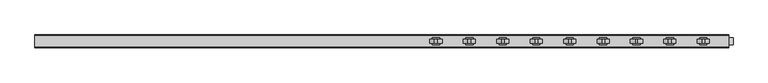
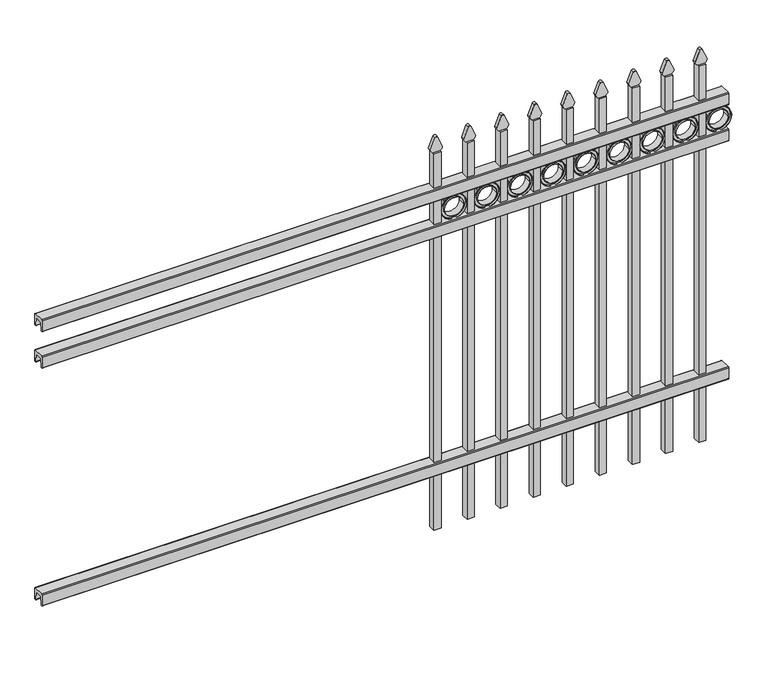
"""IFC4 building model written with IfcOpenShell, lengths in millimetres: railing geometry."""

from ifc_helpers import new_model, si_unit, point, frame, frame_2d, origin, place, context, project, spatial, polyline, circle_curve, trimmed, segment, composite_curve, outline, extrude, source, transform, mapped, element, save


def railing_5b8ea0cb(model_context):
    return source(origin(), model_context, "Body", "SweptSolid", [
        extrude(outline(composite_curve([segment(polyline([(11873.9139761, 304.8), (11911.969541, 304.8)]), True, "CONTINUOUS"), segment(trimmed(circle_curve(frame_2d((11911.969541, 301.625)), 3.175), [point((11911.969541, 304.8))], [point((11915.144541, 301.625))], False, "CARTESIAN"), True, "CONTINUOUS"), segment(polyline([(11915.144541, 301.625), (11915.144541, 262.1439893)]), True, "CONTINUOUS"), segment(trimmed(circle_curve(frame_2d((11913.3505518, 262.1439893)), 1.7939893), [point((11915.144541, 262.1439893))], [point((11913.3505518, 260.35))], False, "CARTESIAN"), True, "CONTINUOUS"), segment(polyline([(11913.3505518, 260.35), (11910.7590713, 260.35)]), True, "CONTINUOUS"), segment(trimmed(circle_curve(frame_2d((11910.7590713, 262.1359375)), 1.7859375), [point((11910.7590713, 260.35))], [point((11908.9755813, 262.0424688))], False, "CARTESIAN"), True, "CONTINUOUS"), segment(polyline([(11908.9755813, 262.0424688), (11907.4025867, 292.0569942), (11878.4364954, 292.0569942), (11876.8635007, 262.0424688)]), True, "CONTINUOUS"), segment(trimmed(circle_curve(frame_2d((11875.0800108, 262.1359375)), 1.7859375), [point((11876.8635007, 262.0424688))], [point((11875.0800108, 260.35))], False, "CARTESIAN"), True, "CONTINUOUS"), segment(polyline([(11875.0800108, 260.35), (11872.4804785, 260.35)]), True, "CONTINUOUS"), segment(trimmed(circle_curve(frame_2d((11872.4804785, 262.1359375)), 1.7859375), [point((11872.4804785, 260.35))], [point((11870.694541, 262.1359375))], False, "CARTESIAN"), True, "CONTINUOUS"), segment(polyline([(11870.694541, 262.1359375), (11870.694541, 301.5805649)]), True, "CONTINUOUS"), segment(trimmed(circle_curve(frame_2d((11873.9139761, 301.5805649)), 3.2194351), [point((11870.694541, 301.5805649))], [point((11873.9139761, 304.8))], False, "CARTESIAN"), True, "CONTINUOUS")], self_intersect=False)), frame((-23871.4649936, 0.0, 0.0), z_axis=(1.0, 0.0, 0.0), x_axis=(0.0, 1.0, 0.0)), (0.0, 0.0, 1.0), 2438.4),
        extrude(outline(composite_curve([segment(polyline([(11873.9139761, 1198.5625), (11911.969541, 1198.5625)]), True, "CONTINUOUS"), segment(trimmed(circle_curve(frame_2d((11911.969541, 1195.3875)), 3.175), [point((11911.969541, 1198.5625))], [point((11915.144541, 1195.3875))], False, "CARTESIAN"), True, "CONTINUOUS"), segment(polyline([(11915.144541, 1195.3875), (11915.144541, 1155.9064893)]), True, "CONTINUOUS"), segment(trimmed(circle_curve(frame_2d((11913.3505518, 1155.9064893)), 1.7939893), [point((11915.144541, 1155.9064893))], [point((11913.3505518, 1154.1125))], False, "CARTESIAN"), True, "CONTINUOUS"), segment(polyline([(11913.3505518, 1154.1125), (11910.7590713, 1154.1125)]), True, "CONTINUOUS"), segment(trimmed(circle_curve(frame_2d((11910.7590713, 1155.8984375)), 1.7859375), [point((11910.7590713, 1154.1125))], [point((11908.9755813, 1155.8049688))], False, "CARTESIAN"), True, "CONTINUOUS"), segment(polyline([(11908.9755813, 1155.8049688), (11907.4025867, 1185.8194942), (11878.4364954, 1185.8194942), (11876.8635007, 1155.8049688)]), True, "CONTINUOUS"), segment(trimmed(circle_curve(frame_2d((11875.0800108, 1155.8984375)), 1.7859375), [point((11876.8635007, 1155.8049688))], [point((11875.0800108, 1154.1125))], False, "CARTESIAN"), True, "CONTINUOUS"), segment(polyline([(11875.0800108, 1154.1125), (11872.4804785, 1154.1125)]), True, "CONTINUOUS"), segment(trimmed(circle_curve(frame_2d((11872.4804785, 1155.8984375)), 1.7859375), [point((11872.4804785, 1154.1125))], [point((11870.694541, 1155.8984375))], False, "CARTESIAN"), True, "CONTINUOUS"), segment(polyline([(11870.694541, 1155.8984375), (11870.694541, 1195.3430649)]), True, "CONTINUOUS"), segment(trimmed(circle_curve(frame_2d((11873.9139761, 1195.3430649)), 3.2194351), [point((11870.694541, 1195.3430649))], [point((11873.9139761, 1198.5625))], False, "CARTESIAN"), True, "CONTINUOUS")], self_intersect=False)), frame((-23871.4649936, 0.0, 0.0), z_axis=(1.0, 0.0, 0.0), x_axis=(0.0, 1.0, 0.0)), (0.0, 0.0, 1.0), 2438.4),
        extrude(outline(composite_curve([segment(polyline([(11873.9139761, 1335.0875), (11911.969541, 1335.0875)]), True, "CONTINUOUS"), segment(trimmed(circle_curve(frame_2d((11911.969541, 1331.9125)), 3.175), [point((11911.969541, 1335.0875))], [point((11915.144541, 1331.9125))], False, "CARTESIAN"), True, "CONTINUOUS"), segment(polyline([(11915.144541, 1331.9125), (11915.144541, 1292.4314893)]), True, "CONTINUOUS"), segment(trimmed(circle_curve(frame_2d((11913.3505518, 1292.4314893)), 1.7939893), [point((11915.144541, 1292.4314893))], [point((11913.3505518, 1290.6375))], False, "CARTESIAN"), True, "CONTINUOUS"), segment(polyline([(11913.3505518, 1290.6375), (11910.7590713, 1290.6375)]), True, "CONTINUOUS"), segment(trimmed(circle_curve(frame_2d((11910.7590713, 1292.4234375)), 1.7859375), [point((11910.7590713, 1290.6375))], [point((11908.9755813, 1292.3299688))], False, "CARTESIAN"), True, "CONTINUOUS"), segment(polyline([(11908.9755813, 1292.3299688), (11907.4025867, 1322.3444942), (11878.4364954, 1322.3444942), (11876.8635007, 1292.3299688)]), True, "CONTINUOUS"), segment(trimmed(circle_curve(frame_2d((11875.0800108, 1292.4234375)), 1.7859375), [point((11876.8635007, 1292.3299688))], [point((11875.0800108, 1290.6375))], False, "CARTESIAN"), True, "CONTINUOUS"), segment(polyline([(11875.0800108, 1290.6375), (11872.4804785, 1290.6375)]), True, "CONTINUOUS"), segment(trimmed(circle_curve(frame_2d((11872.4804785, 1292.4234375)), 1.7859375), [point((11872.4804785, 1290.6375))], [point((11870.694541, 1292.4234375))], False, "CARTESIAN"), True, "CONTINUOUS"), segment(polyline([(11870.694541, 1292.4234375), (11870.694541, 1331.8680649)]), True, "CONTINUOUS"), segment(trimmed(circle_curve(frame_2d((11873.9139761, 1331.8680649)), 3.2194351), [point((11870.694541, 1331.8680649))], [point((11873.9139761, 1335.0875))], False, "CARTESIAN"), True, "CONTINUOUS")], self_intersect=False)), frame((-23871.4649936, 0.0, 0.0), z_axis=(1.0, 0.0, 0.0), x_axis=(0.0, 1.0, 0.0)), (0.0, 0.0, 1.0), 2438.4),
        extrude(outline(polyline([(-21534.6649936, 11905.619541), (-21509.2649936, 11905.619541), (-21509.2649936, 11880.219541), (-21534.6649936, 11880.219541), (-21534.6649936, 11905.619541)])), frame((0.0, 0.0, 50.8), z_axis=(0.0, 0.0, 1.0), x_axis=(1.0, 0.0, 0.0)), (0.0, 0.0, 1.0), 1413.6579232),
        extrude(outline(composite_curve([segment(trimmed(circle_curve(frame_2d((1242.1853669, -21463.1692595)), 45.6988591), [point((1242.1853669, -21417.4704004))], [point((1242.1853669, -21508.8681186))], False, "CARTESIAN"), True, "CONTINUOUS"), segment(trimmed(circle_curve(frame_2d((1242.1853669, -21463.1692595)), 45.6988591), [point((1242.1853669, -21508.8681186))], [point((1242.1853669, -21417.4704004))], False, "CARTESIAN"), True, "CONTINUOUS")], self_intersect=False), holes=[composite_curve([segment(trimmed(circle_curve(frame_2d((1242.1853669, -21463.1692595)), 44.101539), [point((1242.1853669, -21419.0677205))], [point((1242.1853669, -21507.2707985))], True, "CARTESIAN"), True, "CONTINUOUS"), segment(trimmed(circle_curve(frame_2d((1242.1853669, -21463.1692595)), 44.101539), [point((1242.1853669, -21507.2707985))], [point((1242.1853669, -21419.0677205))], True, "CARTESIAN"), True, "CONTINUOUS")], self_intersect=False)]), frame((0.0, 11880.219541, 0.0), z_axis=(0.0, 1.0, 0.0), x_axis=(0.0, 0.0, 1.0)), (0.0, 0.0, 1.0), 25.4),
        extrude(outline(composite_curve([segment(trimmed(circle_curve(frame_2d((1242.1853669, -21463.1692595)), 34.6370762), [point((1242.1853669, -21428.5321833))], [point((1242.1853669, -21497.8063357))], False, "CARTESIAN"), True, "CONTINUOUS"), segment(trimmed(circle_curve(frame_2d((1242.1853669, -21463.1692595)), 34.6370762), [point((1242.1853669, -21497.8063357))], [point((1242.1853669, -21428.5321833))], False, "CARTESIAN"), True, "CONTINUOUS")], self_intersect=False), holes=[composite_curve([segment(trimmed(circle_curve(frame_2d((1242.1853669, -21463.1692595)), 33.0443887), [point((1242.1853669, -21430.1248708))], [point((1242.1853669, -21496.2136482))], True, "CARTESIAN"), True, "CONTINUOUS"), segment(trimmed(circle_curve(frame_2d((1242.1853669, -21463.1692595)), 33.0443887), [point((1242.1853669, -21496.2136482))], [point((1242.1853669, -21430.1248708))], True, "CARTESIAN"), True, "CONTINUOUS")], self_intersect=False)]), frame((0.0, 11880.219541, 0.0), z_axis=(0.0, 1.0, 0.0), x_axis=(0.0, 0.0, 1.0)), (0.0, 0.0, 1.0), 25.4),
        extrude(outline(composite_curve([segment(polyline([(1464.6798417, -21534.6649936), (1464.6798417, -21508.9743116)]), True, "CONTINUOUS"), segment(trimmed(circle_curve(frame_2d((1482.9299402, -21523.1372336)), 23.1009622), [point((1464.6798417, -21508.9743116))], [point((1477.4676176, -21500.6913545))], False, "CARTESIAN"), True, "CONTINUOUS"), segment(polyline([(1477.4676176, -21500.6913545), (1517.9555225, -21517.0105644)]), True, "CONTINUOUS"), segment(trimmed(circle_curve(frame_2d((1514.8045804, -21522.1405764)), 6.0204202), [point((1517.9555225, -21517.0105644))], [point((1517.9555225, -21527.2705884))], False, "CARTESIAN"), True, "CONTINUOUS"), segment(polyline([(1517.9555225, -21527.2705884), (1478.7339948, -21543.2187724)]), True, "CONTINUOUS"), segment(trimmed(circle_curve(frame_2d((1482.9299402, -21520.5020716)), 23.1009622), [point((1478.7339948, -21543.2187724))], [point((1464.6798417, -21534.6649936))], False, "CARTESIAN"), True, "CONTINUOUS")], self_intersect=False)), frame((0.0, 11886.569541, 0.0), z_axis=(0.0, 1.0, 0.0), x_axis=(0.0, 0.0, 1.0)), (0.0, 0.0, 1.0), 12.7),
        extrude(outline(composite_curve([segment(trimmed(circle_curve(frame_2d((1242.1853669, -21463.1692595)), 45.6988591), [point((1242.1853669, -21417.4704004))], [point((1242.1853669, -21508.8681186))], False, "CARTESIAN"), True, "CONTINUOUS"), segment(trimmed(circle_curve(frame_2d((1242.1853669, -21463.1692595)), 45.6988591), [point((1242.1853669, -21508.8681186))], [point((1242.1853669, -21417.4704004))], False, "CARTESIAN"), True, "CONTINUOUS")], self_intersect=False), holes=[composite_curve([segment(trimmed(circle_curve(frame_2d((1242.1853669, -21463.1692595)), 33.0443887), [point((1242.1853669, -21430.1248708))], [point((1242.1853669, -21496.2136482))], True, "CARTESIAN"), True, "CONTINUOUS"), segment(trimmed(circle_curve(frame_2d((1242.1853669, -21463.1692595)), 33.0443887), [point((1242.1853669, -21496.2136482))], [point((1242.1853669, -21430.1248708))], True, "CARTESIAN"), True, "CONTINUOUS")], self_intersect=False)]), frame((0.0, 11886.569541, 0.0), z_axis=(0.0, 1.0, 0.0), x_axis=(0.0, 0.0, 1.0)), (0.0, 0.0, 1.0), 12.7),
        extrude(outline(polyline([(-21652.1399936, 11905.619541), (-21626.7399936, 11905.619541), (-21626.7399936, 11880.219541), (-21652.1399936, 11880.219541), (-21652.1399936, 11905.619541)])), frame((0.0, 0.0, 50.8), z_axis=(0.0, 0.0, 1.0), x_axis=(1.0, 0.0, 0.0)), (0.0, 0.0, 1.0), 1413.6579232),
        extrude(outline(composite_curve([segment(trimmed(circle_curve(frame_2d((1242.1853669, -21580.6442595)), 45.6988591), [point((1242.1853669, -21534.9454004))], [point((1242.1853669, -21626.3431186))], False, "CARTESIAN"), True, "CONTINUOUS"), segment(trimmed(circle_curve(frame_2d((1242.1853669, -21580.6442595)), 45.6988591), [point((1242.1853669, -21626.3431186))], [point((1242.1853669, -21534.9454004))], False, "CARTESIAN"), True, "CONTINUOUS")], self_intersect=False), holes=[composite_curve([segment(trimmed(circle_curve(frame_2d((1242.1853669, -21580.6442595)), 44.101539), [point((1242.1853669, -21536.5427205))], [point((1242.1853669, -21624.7457985))], True, "CARTESIAN"), True, "CONTINUOUS"), segment(trimmed(circle_curve(frame_2d((1242.1853669, -21580.6442595)), 44.101539), [point((1242.1853669, -21624.7457985))], [point((1242.1853669, -21536.5427205))], True, "CARTESIAN"), True, "CONTINUOUS")], self_intersect=False)]), frame((0.0, 11880.219541, 0.0), z_axis=(0.0, 1.0, 0.0), x_axis=(0.0, 0.0, 1.0)), (0.0, 0.0, 1.0), 25.4),
        extrude(outline(composite_curve([segment(trimmed(circle_curve(frame_2d((1242.1853669, -21580.6442595)), 34.6370762), [point((1242.1853669, -21546.0071833))], [point((1242.1853669, -21615.2813357))], False, "CARTESIAN"), True, "CONTINUOUS"), segment(trimmed(circle_curve(frame_2d((1242.1853669, -21580.6442595)), 34.6370762), [point((1242.1853669, -21615.2813357))], [point((1242.1853669, -21546.0071833))], False, "CARTESIAN"), True, "CONTINUOUS")], self_intersect=False), holes=[composite_curve([segment(trimmed(circle_curve(frame_2d((1242.1853669, -21580.6442595)), 33.0443887), [point((1242.1853669, -21547.5998708))], [point((1242.1853669, -21613.6886482))], True, "CARTESIAN"), True, "CONTINUOUS"), segment(trimmed(circle_curve(frame_2d((1242.1853669, -21580.6442595)), 33.0443887), [point((1242.1853669, -21613.6886482))], [point((1242.1853669, -21547.5998708))], True, "CARTESIAN"), True, "CONTINUOUS")], self_intersect=False)]), frame((0.0, 11880.219541, 0.0), z_axis=(0.0, 1.0, 0.0), x_axis=(0.0, 0.0, 1.0)), (0.0, 0.0, 1.0), 25.4),
        extrude(outline(composite_curve([segment(polyline([(1464.6798417, -21652.1399936), (1464.6798417, -21626.4493116)]), True, "CONTINUOUS"), segment(trimmed(circle_curve(frame_2d((1482.9299402, -21640.6122336)), 23.1009622), [point((1464.6798417, -21626.4493116))], [point((1477.4676176, -21618.1663545))], False, "CARTESIAN"), True, "CONTINUOUS"), segment(polyline([(1477.4676176, -21618.1663545), (1517.9555225, -21634.4855644)]), True, "CONTINUOUS"), segment(trimmed(circle_curve(frame_2d((1514.8045804, -21639.6155764)), 6.0204202), [point((1517.9555225, -21634.4855644))], [point((1517.9555225, -21644.7455884))], False, "CARTESIAN"), True, "CONTINUOUS"), segment(polyline([(1517.9555225, -21644.7455884), (1478.7339948, -21660.6937724)]), True, "CONTINUOUS"), segment(trimmed(circle_curve(frame_2d((1482.9299402, -21637.9770716)), 23.1009622), [point((1478.7339948, -21660.6937724))], [point((1464.6798417, -21652.1399936))], False, "CARTESIAN"), True, "CONTINUOUS")], self_intersect=False)), frame((0.0, 11886.569541, 0.0), z_axis=(0.0, 1.0, 0.0), x_axis=(0.0, 0.0, 1.0)), (0.0, 0.0, 1.0), 12.7),
        extrude(outline(composite_curve([segment(trimmed(circle_curve(frame_2d((1242.1853669, -21580.6442595)), 45.6988591), [point((1242.1853669, -21534.9454004))], [point((1242.1853669, -21626.3431186))], False, "CARTESIAN"), True, "CONTINUOUS"), segment(trimmed(circle_curve(frame_2d((1242.1853669, -21580.6442595)), 45.6988591), [point((1242.1853669, -21626.3431186))], [point((1242.1853669, -21534.9454004))], False, "CARTESIAN"), True, "CONTINUOUS")], self_intersect=False), holes=[composite_curve([segment(trimmed(circle_curve(frame_2d((1242.1853669, -21580.6442595)), 33.0443887), [point((1242.1853669, -21547.5998708))], [point((1242.1853669, -21613.6886482))], True, "CARTESIAN"), True, "CONTINUOUS"), segment(trimmed(circle_curve(frame_2d((1242.1853669, -21580.6442595)), 33.0443887), [point((1242.1853669, -21613.6886482))], [point((1242.1853669, -21547.5998708))], True, "CARTESIAN"), True, "CONTINUOUS")], self_intersect=False)]), frame((0.0, 11886.569541, 0.0), z_axis=(0.0, 1.0, 0.0), x_axis=(0.0, 0.0, 1.0)), (0.0, 0.0, 1.0), 12.7),
        extrude(outline(polyline([(-21769.6149936, 11905.619541), (-21744.2149936, 11905.619541), (-21744.2149936, 11880.219541), (-21769.6149936, 11880.219541), (-21769.6149936, 11905.619541)])), frame((0.0, 0.0, 50.8), z_axis=(0.0, 0.0, 1.0), x_axis=(1.0, 0.0, 0.0)), (0.0, 0.0, 1.0), 1413.6579232),
        extrude(outline(composite_curve([segment(trimmed(circle_curve(frame_2d((1242.1853669, -21698.1192595)), 45.6988591), [point((1242.1853669, -21652.4204004))], [point((1242.1853669, -21743.8181186))], False, "CARTESIAN"), True, "CONTINUOUS"), segment(trimmed(circle_curve(frame_2d((1242.1853669, -21698.1192595)), 45.6988591), [point((1242.1853669, -21743.8181186))], [point((1242.1853669, -21652.4204004))], False, "CARTESIAN"), True, "CONTINUOUS")], self_intersect=False), holes=[composite_curve([segment(trimmed(circle_curve(frame_2d((1242.1853669, -21698.1192595)), 44.101539), [point((1242.1853669, -21654.0177205))], [point((1242.1853669, -21742.2207985))], True, "CARTESIAN"), True, "CONTINUOUS"), segment(trimmed(circle_curve(frame_2d((1242.1853669, -21698.1192595)), 44.101539), [point((1242.1853669, -21742.2207985))], [point((1242.1853669, -21654.0177205))], True, "CARTESIAN"), True, "CONTINUOUS")], self_intersect=False)]), frame((0.0, 11880.219541, 0.0), z_axis=(0.0, 1.0, 0.0), x_axis=(0.0, 0.0, 1.0)), (0.0, 0.0, 1.0), 25.4),
        extrude(outline(composite_curve([segment(trimmed(circle_curve(frame_2d((1242.1853669, -21698.1192595)), 34.6370762), [point((1242.1853669, -21663.4821833))], [point((1242.1853669, -21732.7563357))], False, "CARTESIAN"), True, "CONTINUOUS"), segment(trimmed(circle_curve(frame_2d((1242.1853669, -21698.1192595)), 34.6370762), [point((1242.1853669, -21732.7563357))], [point((1242.1853669, -21663.4821833))], False, "CARTESIAN"), True, "CONTINUOUS")], self_intersect=False), holes=[composite_curve([segment(trimmed(circle_curve(frame_2d((1242.1853669, -21698.1192595)), 33.0443887), [point((1242.1853669, -21665.0748708))], [point((1242.1853669, -21731.1636482))], True, "CARTESIAN"), True, "CONTINUOUS"), segment(trimmed(circle_curve(frame_2d((1242.1853669, -21698.1192595)), 33.0443887), [point((1242.1853669, -21731.1636482))], [point((1242.1853669, -21665.0748708))], True, "CARTESIAN"), True, "CONTINUOUS")], self_intersect=False)]), frame((0.0, 11880.219541, 0.0), z_axis=(0.0, 1.0, 0.0), x_axis=(0.0, 0.0, 1.0)), (0.0, 0.0, 1.0), 25.4),
        extrude(outline(composite_curve([segment(polyline([(1464.6798417, -21769.6149936), (1464.6798417, -21743.9243116)]), True, "CONTINUOUS"), segment(trimmed(circle_curve(frame_2d((1482.9299402, -21758.0872336)), 23.1009622), [point((1464.6798417, -21743.9243116))], [point((1477.4676176, -21735.6413545))], False, "CARTESIAN"), True, "CONTINUOUS"), segment(polyline([(1477.4676176, -21735.6413545), (1517.9555225, -21751.9605644)]), True, "CONTINUOUS"), segment(trimmed(circle_curve(frame_2d((1514.8045804, -21757.0905764)), 6.0204202), [point((1517.9555225, -21751.9605644))], [point((1517.9555225, -21762.2205884))], False, "CARTESIAN"), True, "CONTINUOUS"), segment(polyline([(1517.9555225, -21762.2205884), (1478.7339948, -21778.1687724)]), True, "CONTINUOUS"), segment(trimmed(circle_curve(frame_2d((1482.9299402, -21755.4520716)), 23.1009622), [point((1478.7339948, -21778.1687724))], [point((1464.6798417, -21769.6149936))], False, "CARTESIAN"), True, "CONTINUOUS")], self_intersect=False)), frame((0.0, 11886.569541, 0.0), z_axis=(0.0, 1.0, 0.0), x_axis=(0.0, 0.0, 1.0)), (0.0, 0.0, 1.0), 12.7),
        extrude(outline(composite_curve([segment(trimmed(circle_curve(frame_2d((1242.1853669, -21698.1192595)), 45.6988591), [point((1242.1853669, -21652.4204004))], [point((1242.1853669, -21743.8181186))], False, "CARTESIAN"), True, "CONTINUOUS"), segment(trimmed(circle_curve(frame_2d((1242.1853669, -21698.1192595)), 45.6988591), [point((1242.1853669, -21743.8181186))], [point((1242.1853669, -21652.4204004))], False, "CARTESIAN"), True, "CONTINUOUS")], self_intersect=False), holes=[composite_curve([segment(trimmed(circle_curve(frame_2d((1242.1853669, -21698.1192595)), 33.0443887), [point((1242.1853669, -21665.0748708))], [point((1242.1853669, -21731.1636482))], True, "CARTESIAN"), True, "CONTINUOUS"), segment(trimmed(circle_curve(frame_2d((1242.1853669, -21698.1192595)), 33.0443887), [point((1242.1853669, -21731.1636482))], [point((1242.1853669, -21665.0748708))], True, "CARTESIAN"), True, "CONTINUOUS")], self_intersect=False)]), frame((0.0, 11886.569541, 0.0), z_axis=(0.0, 1.0, 0.0), x_axis=(0.0, 0.0, 1.0)), (0.0, 0.0, 1.0), 12.7),
        extrude(outline(polyline([(-21887.0899936, 11905.619541), (-21861.6899936, 11905.619541), (-21861.6899936, 11880.219541), (-21887.0899936, 11880.219541), (-21887.0899936, 11905.619541)])), frame((0.0, 0.0, 50.8), z_axis=(0.0, 0.0, 1.0), x_axis=(1.0, 0.0, 0.0)), (0.0, 0.0, 1.0), 1413.6579232),
        extrude(outline(composite_curve([segment(trimmed(circle_curve(frame_2d((1242.1853669, -21815.5942595)), 45.6988591), [point((1242.1853669, -21769.8954004))], [point((1242.1853669, -21861.2931186))], False, "CARTESIAN"), True, "CONTINUOUS"), segment(trimmed(circle_curve(frame_2d((1242.1853669, -21815.5942595)), 45.6988591), [point((1242.1853669, -21861.2931186))], [point((1242.1853669, -21769.8954004))], False, "CARTESIAN"), True, "CONTINUOUS")], self_intersect=False), holes=[composite_curve([segment(trimmed(circle_curve(frame_2d((1242.1853669, -21815.5942595)), 44.101539), [point((1242.1853669, -21771.4927205))], [point((1242.1853669, -21859.6957985))], True, "CARTESIAN"), True, "CONTINUOUS"), segment(trimmed(circle_curve(frame_2d((1242.1853669, -21815.5942595)), 44.101539), [point((1242.1853669, -21859.6957985))], [point((1242.1853669, -21771.4927205))], True, "CARTESIAN"), True, "CONTINUOUS")], self_intersect=False)]), frame((0.0, 11880.219541, 0.0), z_axis=(0.0, 1.0, 0.0), x_axis=(0.0, 0.0, 1.0)), (0.0, 0.0, 1.0), 25.4),
        extrude(outline(composite_curve([segment(trimmed(circle_curve(frame_2d((1242.1853669, -21815.5942595)), 34.6370762), [point((1242.1853669, -21780.9571833))], [point((1242.1853669, -21850.2313357))], False, "CARTESIAN"), True, "CONTINUOUS"), segment(trimmed(circle_curve(frame_2d((1242.1853669, -21815.5942595)), 34.6370762), [point((1242.1853669, -21850.2313357))], [point((1242.1853669, -21780.9571833))], False, "CARTESIAN"), True, "CONTINUOUS")], self_intersect=False), holes=[composite_curve([segment(trimmed(circle_curve(frame_2d((1242.1853669, -21815.5942595)), 33.0443887), [point((1242.1853669, -21782.5498708))], [point((1242.1853669, -21848.6386482))], True, "CARTESIAN"), True, "CONTINUOUS"), segment(trimmed(circle_curve(frame_2d((1242.1853669, -21815.5942595)), 33.0443887), [point((1242.1853669, -21848.6386482))], [point((1242.1853669, -21782.5498708))], True, "CARTESIAN"), True, "CONTINUOUS")], self_intersect=False)]), frame((0.0, 11880.219541, 0.0), z_axis=(0.0, 1.0, 0.0), x_axis=(0.0, 0.0, 1.0)), (0.0, 0.0, 1.0), 25.4),
        extrude(outline(composite_curve([segment(polyline([(1464.6798417, -21887.0899936), (1464.6798417, -21861.3993116)]), True, "CONTINUOUS"), segment(trimmed(circle_curve(frame_2d((1482.9299402, -21875.5622336)), 23.1009622), [point((1464.6798417, -21861.3993116))], [point((1477.4676176, -21853.1163545))], False, "CARTESIAN"), True, "CONTINUOUS"), segment(polyline([(1477.4676176, -21853.1163545), (1517.9555225, -21869.4355644)]), True, "CONTINUOUS"), segment(trimmed(circle_curve(frame_2d((1514.8045804, -21874.5655764)), 6.0204202), [point((1517.9555225, -21869.4355644))], [point((1517.9555225, -21879.6955884))], False, "CARTESIAN"), True, "CONTINUOUS"), segment(polyline([(1517.9555225, -21879.6955884), (1478.7339948, -21895.6437724)]), True, "CONTINUOUS"), segment(trimmed(circle_curve(frame_2d((1482.9299402, -21872.9270716)), 23.1009622), [point((1478.7339948, -21895.6437724))], [point((1464.6798417, -21887.0899936))], False, "CARTESIAN"), True, "CONTINUOUS")], self_intersect=False)), frame((0.0, 11886.569541, 0.0), z_axis=(0.0, 1.0, 0.0), x_axis=(0.0, 0.0, 1.0)), (0.0, 0.0, 1.0), 12.7),
        extrude(outline(composite_curve([segment(trimmed(circle_curve(frame_2d((1242.1853669, -21815.5942595)), 45.6988591), [point((1242.1853669, -21769.8954004))], [point((1242.1853669, -21861.2931186))], False, "CARTESIAN"), True, "CONTINUOUS"), segment(trimmed(circle_curve(frame_2d((1242.1853669, -21815.5942595)), 45.6988591), [point((1242.1853669, -21861.2931186))], [point((1242.1853669, -21769.8954004))], False, "CARTESIAN"), True, "CONTINUOUS")], self_intersect=False), holes=[composite_curve([segment(trimmed(circle_curve(frame_2d((1242.1853669, -21815.5942595)), 33.0443887), [point((1242.1853669, -21782.5498708))], [point((1242.1853669, -21848.6386482))], True, "CARTESIAN"), True, "CONTINUOUS"), segment(trimmed(circle_curve(frame_2d((1242.1853669, -21815.5942595)), 33.0443887), [point((1242.1853669, -21848.6386482))], [point((1242.1853669, -21782.5498708))], True, "CARTESIAN"), True, "CONTINUOUS")], self_intersect=False)]), frame((0.0, 11886.569541, 0.0), z_axis=(0.0, 1.0, 0.0), x_axis=(0.0, 0.0, 1.0)), (0.0, 0.0, 1.0), 12.7),
        extrude(outline(polyline([(-22004.5649936, 11905.619541), (-21979.1649936, 11905.619541), (-21979.1649936, 11880.219541), (-22004.5649936, 11880.219541), (-22004.5649936, 11905.619541)])), frame((0.0, 0.0, 50.8), z_axis=(0.0, 0.0, 1.0), x_axis=(1.0, 0.0, 0.0)), (0.0, 0.0, 1.0), 1413.6579232),
        extrude(outline(composite_curve([segment(trimmed(circle_curve(frame_2d((1242.1853669, -21933.0692595)), 45.6988591), [point((1242.1853669, -21887.3704004))], [point((1242.1853669, -21978.7681186))], False, "CARTESIAN"), True, "CONTINUOUS"), segment(trimmed(circle_curve(frame_2d((1242.1853669, -21933.0692595)), 45.6988591), [point((1242.1853669, -21978.7681186))], [point((1242.1853669, -21887.3704004))], False, "CARTESIAN"), True, "CONTINUOUS")], self_intersect=False), holes=[composite_curve([segment(trimmed(circle_curve(frame_2d((1242.1853669, -21933.0692595)), 44.101539), [point((1242.1853669, -21888.9677205))], [point((1242.1853669, -21977.1707985))], True, "CARTESIAN"), True, "CONTINUOUS"), segment(trimmed(circle_curve(frame_2d((1242.1853669, -21933.0692595)), 44.101539), [point((1242.1853669, -21977.1707985))], [point((1242.1853669, -21888.9677205))], True, "CARTESIAN"), True, "CONTINUOUS")], self_intersect=False)]), frame((0.0, 11880.219541, 0.0), z_axis=(0.0, 1.0, 0.0), x_axis=(0.0, 0.0, 1.0)), (0.0, 0.0, 1.0), 25.4),
        extrude(outline(composite_curve([segment(trimmed(circle_curve(frame_2d((1242.1853669, -21933.0692595)), 34.6370762), [point((1242.1853669, -21898.4321833))], [point((1242.1853669, -21967.7063357))], False, "CARTESIAN"), True, "CONTINUOUS"), segment(trimmed(circle_curve(frame_2d((1242.1853669, -21933.0692595)), 34.6370762), [point((1242.1853669, -21967.7063357))], [point((1242.1853669, -21898.4321833))], False, "CARTESIAN"), True, "CONTINUOUS")], self_intersect=False), holes=[composite_curve([segment(trimmed(circle_curve(frame_2d((1242.1853669, -21933.0692595)), 33.0443887), [point((1242.1853669, -21900.0248708))], [point((1242.1853669, -21966.1136482))], True, "CARTESIAN"), True, "CONTINUOUS"), segment(trimmed(circle_curve(frame_2d((1242.1853669, -21933.0692595)), 33.0443887), [point((1242.1853669, -21966.1136482))], [point((1242.1853669, -21900.0248708))], True, "CARTESIAN"), True, "CONTINUOUS")], self_intersect=False)]), frame((0.0, 11880.219541, 0.0), z_axis=(0.0, 1.0, 0.0), x_axis=(0.0, 0.0, 1.0)), (0.0, 0.0, 1.0), 25.4),
        extrude(outline(composite_curve([segment(polyline([(1464.6798417, -22004.5649936), (1464.6798417, -21978.8743116)]), True, "CONTINUOUS"), segment(trimmed(circle_curve(frame_2d((1482.9299402, -21993.0372336)), 23.1009622), [point((1464.6798417, -21978.8743116))], [point((1477.4676176, -21970.5913545))], False, "CARTESIAN"), True, "CONTINUOUS"), segment(polyline([(1477.4676176, -21970.5913545), (1517.9555225, -21986.9105644)]), True, "CONTINUOUS"), segment(trimmed(circle_curve(frame_2d((1514.8045804, -21992.0405764)), 6.0204202), [point((1517.9555225, -21986.9105644))], [point((1517.9555225, -21997.1705884))], False, "CARTESIAN"), True, "CONTINUOUS"), segment(polyline([(1517.9555225, -21997.1705884), (1478.7339948, -22013.1187724)]), True, "CONTINUOUS"), segment(trimmed(circle_curve(frame_2d((1482.9299402, -21990.4020716)), 23.1009622), [point((1478.7339948, -22013.1187724))], [point((1464.6798417, -22004.5649936))], False, "CARTESIAN"), True, "CONTINUOUS")], self_intersect=False)), frame((0.0, 11886.569541, 0.0), z_axis=(0.0, 1.0, 0.0), x_axis=(0.0, 0.0, 1.0)), (0.0, 0.0, 1.0), 12.7),
        extrude(outline(composite_curve([segment(trimmed(circle_curve(frame_2d((1242.1853669, -21933.0692595)), 45.6988591), [point((1242.1853669, -21887.3704004))], [point((1242.1853669, -21978.7681186))], False, "CARTESIAN"), True, "CONTINUOUS"), segment(trimmed(circle_curve(frame_2d((1242.1853669, -21933.0692595)), 45.6988591), [point((1242.1853669, -21978.7681186))], [point((1242.1853669, -21887.3704004))], False, "CARTESIAN"), True, "CONTINUOUS")], self_intersect=False), holes=[composite_curve([segment(trimmed(circle_curve(frame_2d((1242.1853669, -21933.0692595)), 33.0443887), [point((1242.1853669, -21900.0248708))], [point((1242.1853669, -21966.1136482))], True, "CARTESIAN"), True, "CONTINUOUS"), segment(trimmed(circle_curve(frame_2d((1242.1853669, -21933.0692595)), 33.0443887), [point((1242.1853669, -21966.1136482))], [point((1242.1853669, -21900.0248708))], True, "CARTESIAN"), True, "CONTINUOUS")], self_intersect=False)]), frame((0.0, 11886.569541, 0.0), z_axis=(0.0, 1.0, 0.0), x_axis=(0.0, 0.0, 1.0)), (0.0, 0.0, 1.0), 12.7),
        extrude(outline(polyline([(-22122.0399936, 11905.619541), (-22096.6399936, 11905.619541), (-22096.6399936, 11880.219541), (-22122.0399936, 11880.219541), (-22122.0399936, 11905.619541)])), frame((0.0, 0.0, 50.8), z_axis=(0.0, 0.0, 1.0), x_axis=(1.0, 0.0, 0.0)), (0.0, 0.0, 1.0), 1413.6579232),
        extrude(outline(composite_curve([segment(trimmed(circle_curve(frame_2d((1242.1853669, -22050.5442595)), 45.6988591), [point((1242.1853669, -22004.8454004))], [point((1242.1853669, -22096.2431186))], False, "CARTESIAN"), True, "CONTINUOUS"), segment(trimmed(circle_curve(frame_2d((1242.1853669, -22050.5442595)), 45.6988591), [point((1242.1853669, -22096.2431186))], [point((1242.1853669, -22004.8454004))], False, "CARTESIAN"), True, "CONTINUOUS")], self_intersect=False), holes=[composite_curve([segment(trimmed(circle_curve(frame_2d((1242.1853669, -22050.5442595)), 44.101539), [point((1242.1853669, -22006.4427205))], [point((1242.1853669, -22094.6457985))], True, "CARTESIAN"), True, "CONTINUOUS"), segment(trimmed(circle_curve(frame_2d((1242.1853669, -22050.5442595)), 44.101539), [point((1242.1853669, -22094.6457985))], [point((1242.1853669, -22006.4427205))], True, "CARTESIAN"), True, "CONTINUOUS")], self_intersect=False)]), frame((0.0, 11880.219541, 0.0), z_axis=(0.0, 1.0, 0.0), x_axis=(0.0, 0.0, 1.0)), (0.0, 0.0, 1.0), 25.4),
        extrude(outline(composite_curve([segment(trimmed(circle_curve(frame_2d((1242.1853669, -22050.5442595)), 34.6370762), [point((1242.1853669, -22015.9071833))], [point((1242.1853669, -22085.1813357))], False, "CARTESIAN"), True, "CONTINUOUS"), segment(trimmed(circle_curve(frame_2d((1242.1853669, -22050.5442595)), 34.6370762), [point((1242.1853669, -22085.1813357))], [point((1242.1853669, -22015.9071833))], False, "CARTESIAN"), True, "CONTINUOUS")], self_intersect=False), holes=[composite_curve([segment(trimmed(circle_curve(frame_2d((1242.1853669, -22050.5442595)), 33.0443887), [point((1242.1853669, -22017.4998708))], [point((1242.1853669, -22083.5886482))], True, "CARTESIAN"), True, "CONTINUOUS"), segment(trimmed(circle_curve(frame_2d((1242.1853669, -22050.5442595)), 33.0443887), [point((1242.1853669, -22083.5886482))], [point((1242.1853669, -22017.4998708))], True, "CARTESIAN"), True, "CONTINUOUS")], self_intersect=False)]), frame((0.0, 11880.219541, 0.0), z_axis=(0.0, 1.0, 0.0), x_axis=(0.0, 0.0, 1.0)), (0.0, 0.0, 1.0), 25.4),
        extrude(outline(composite_curve([segment(polyline([(1464.6798417, -22122.0399936), (1464.6798417, -22096.3493116)]), True, "CONTINUOUS"), segment(trimmed(circle_curve(frame_2d((1482.9299402, -22110.5122336)), 23.1009622), [point((1464.6798417, -22096.3493116))], [point((1477.4676176, -22088.0663545))], False, "CARTESIAN"), True, "CONTINUOUS"), segment(polyline([(1477.4676176, -22088.0663545), (1517.9555225, -22104.3855644)]), True, "CONTINUOUS"), segment(trimmed(circle_curve(frame_2d((1514.8045804, -22109.5155764)), 6.0204202), [point((1517.9555225, -22104.3855644))], [point((1517.9555225, -22114.6455884))], False, "CARTESIAN"), True, "CONTINUOUS"), segment(polyline([(1517.9555225, -22114.6455884), (1478.7339948, -22130.5937724)]), True, "CONTINUOUS"), segment(trimmed(circle_curve(frame_2d((1482.9299402, -22107.8770716)), 23.1009622), [point((1478.7339948, -22130.5937724))], [point((1464.6798417, -22122.0399936))], False, "CARTESIAN"), True, "CONTINUOUS")], self_intersect=False)), frame((0.0, 11886.569541, 0.0), z_axis=(0.0, 1.0, 0.0), x_axis=(0.0, 0.0, 1.0)), (0.0, 0.0, 1.0), 12.7),
        extrude(outline(composite_curve([segment(trimmed(circle_curve(frame_2d((1242.1853669, -22050.5442595)), 45.6988591), [point((1242.1853669, -22004.8454004))], [point((1242.1853669, -22096.2431186))], False, "CARTESIAN"), True, "CONTINUOUS"), segment(trimmed(circle_curve(frame_2d((1242.1853669, -22050.5442595)), 45.6988591), [point((1242.1853669, -22096.2431186))], [point((1242.1853669, -22004.8454004))], False, "CARTESIAN"), True, "CONTINUOUS")], self_intersect=False), holes=[composite_curve([segment(trimmed(circle_curve(frame_2d((1242.1853669, -22050.5442595)), 33.0443887), [point((1242.1853669, -22017.4998708))], [point((1242.1853669, -22083.5886482))], True, "CARTESIAN"), True, "CONTINUOUS"), segment(trimmed(circle_curve(frame_2d((1242.1853669, -22050.5442595)), 33.0443887), [point((1242.1853669, -22083.5886482))], [point((1242.1853669, -22017.4998708))], True, "CARTESIAN"), True, "CONTINUOUS")], self_intersect=False)]), frame((0.0, 11886.569541, 0.0), z_axis=(0.0, 1.0, 0.0), x_axis=(0.0, 0.0, 1.0)), (0.0, 0.0, 1.0), 12.7),
        extrude(outline(polyline([(-22239.5149936, 11905.619541), (-22214.1149936, 11905.619541), (-22214.1149936, 11880.219541), (-22239.5149936, 11880.219541), (-22239.5149936, 11905.619541)])), frame((0.0, 0.0, 50.8), z_axis=(0.0, 0.0, 1.0), x_axis=(1.0, 0.0, 0.0)), (0.0, 0.0, 1.0), 1413.6579232),
        extrude(outline(composite_curve([segment(trimmed(circle_curve(frame_2d((1242.1853669, -22168.0192595)), 45.6988591), [point((1242.1853669, -22122.3204004))], [point((1242.1853669, -22213.7181186))], False, "CARTESIAN"), True, "CONTINUOUS"), segment(trimmed(circle_curve(frame_2d((1242.1853669, -22168.0192595)), 45.6988591), [point((1242.1853669, -22213.7181186))], [point((1242.1853669, -22122.3204004))], False, "CARTESIAN"), True, "CONTINUOUS")], self_intersect=False), holes=[composite_curve([segment(trimmed(circle_curve(frame_2d((1242.1853669, -22168.0192595)), 44.101539), [point((1242.1853669, -22123.9177205))], [point((1242.1853669, -22212.1207985))], True, "CARTESIAN"), True, "CONTINUOUS"), segment(trimmed(circle_curve(frame_2d((1242.1853669, -22168.0192595)), 44.101539), [point((1242.1853669, -22212.1207985))], [point((1242.1853669, -22123.9177205))], True, "CARTESIAN"), True, "CONTINUOUS")], self_intersect=False)]), frame((0.0, 11880.219541, 0.0), z_axis=(0.0, 1.0, 0.0), x_axis=(0.0, 0.0, 1.0)), (0.0, 0.0, 1.0), 25.4),
        extrude(outline(composite_curve([segment(trimmed(circle_curve(frame_2d((1242.1853669, -22168.0192595)), 34.6370762), [point((1242.1853669, -22133.3821833))], [point((1242.1853669, -22202.6563357))], False, "CARTESIAN"), True, "CONTINUOUS"), segment(trimmed(circle_curve(frame_2d((1242.1853669, -22168.0192595)), 34.6370762), [point((1242.1853669, -22202.6563357))], [point((1242.1853669, -22133.3821833))], False, "CARTESIAN"), True, "CONTINUOUS")], self_intersect=False), holes=[composite_curve([segment(trimmed(circle_curve(frame_2d((1242.1853669, -22168.0192595)), 33.0443887), [point((1242.1853669, -22134.9748708))], [point((1242.1853669, -22201.0636482))], True, "CARTESIAN"), True, "CONTINUOUS"), segment(trimmed(circle_curve(frame_2d((1242.1853669, -22168.0192595)), 33.0443887), [point((1242.1853669, -22201.0636482))], [point((1242.1853669, -22134.9748708))], True, "CARTESIAN"), True, "CONTINUOUS")], self_intersect=False)]), frame((0.0, 11880.219541, 0.0), z_axis=(0.0, 1.0, 0.0), x_axis=(0.0, 0.0, 1.0)), (0.0, 0.0, 1.0), 25.4),
        extrude(outline(composite_curve([segment(polyline([(1464.6798417, -22239.5149936), (1464.6798417, -22213.8243116)]), True, "CONTINUOUS"), segment(trimmed(circle_curve(frame_2d((1482.9299402, -22227.9872336)), 23.1009622), [point((1464.6798417, -22213.8243116))], [point((1477.4676176, -22205.5413545))], False, "CARTESIAN"), True, "CONTINUOUS"), segment(polyline([(1477.4676176, -22205.5413545), (1517.9555225, -22221.8605644)]), True, "CONTINUOUS"), segment(trimmed(circle_curve(frame_2d((1514.8045804, -22226.9905764)), 6.0204202), [point((1517.9555225, -22221.8605644))], [point((1517.9555225, -22232.1205884))], False, "CARTESIAN"), True, "CONTINUOUS"), segment(polyline([(1517.9555225, -22232.1205884), (1478.7339948, -22248.0687724)]), True, "CONTINUOUS"), segment(trimmed(circle_curve(frame_2d((1482.9299402, -22225.3520716)), 23.1009622), [point((1478.7339948, -22248.0687724))], [point((1464.6798417, -22239.5149936))], False, "CARTESIAN"), True, "CONTINUOUS")], self_intersect=False)), frame((0.0, 11886.569541, 0.0), z_axis=(0.0, 1.0, 0.0), x_axis=(0.0, 0.0, 1.0)), (0.0, 0.0, 1.0), 12.7),
        extrude(outline(composite_curve([segment(trimmed(circle_curve(frame_2d((1242.1853669, -22168.0192595)), 45.6988591), [point((1242.1853669, -22122.3204004))], [point((1242.1853669, -22213.7181186))], False, "CARTESIAN"), True, "CONTINUOUS"), segment(trimmed(circle_curve(frame_2d((1242.1853669, -22168.0192595)), 45.6988591), [point((1242.1853669, -22213.7181186))], [point((1242.1853669, -22122.3204004))], False, "CARTESIAN"), True, "CONTINUOUS")], self_intersect=False), holes=[composite_curve([segment(trimmed(circle_curve(frame_2d((1242.1853669, -22168.0192595)), 33.0443887), [point((1242.1853669, -22134.9748708))], [point((1242.1853669, -22201.0636482))], True, "CARTESIAN"), True, "CONTINUOUS"), segment(trimmed(circle_curve(frame_2d((1242.1853669, -22168.0192595)), 33.0443887), [point((1242.1853669, -22201.0636482))], [point((1242.1853669, -22134.9748708))], True, "CARTESIAN"), True, "CONTINUOUS")], self_intersect=False)]), frame((0.0, 11886.569541, 0.0), z_axis=(0.0, 1.0, 0.0), x_axis=(0.0, 0.0, 1.0)), (0.0, 0.0, 1.0), 12.7),
        extrude(outline(polyline([(-22356.9899936, 11905.619541), (-22331.5899936, 11905.619541), (-22331.5899936, 11880.219541), (-22356.9899936, 11880.219541), (-22356.9899936, 11905.619541)])), frame((0.0, 0.0, 50.8), z_axis=(0.0, 0.0, 1.0), x_axis=(1.0, 0.0, 0.0)), (0.0, 0.0, 1.0), 1413.6579232),
        extrude(outline(composite_curve([segment(trimmed(circle_curve(frame_2d((1242.1853669, -22285.4942595)), 45.6988591), [point((1242.1853669, -22239.7954004))], [point((1242.1853669, -22331.1931186))], False, "CARTESIAN"), True, "CONTINUOUS"), segment(trimmed(circle_curve(frame_2d((1242.1853669, -22285.4942595)), 45.6988591), [point((1242.1853669, -22331.1931186))], [point((1242.1853669, -22239.7954004))], False, "CARTESIAN"), True, "CONTINUOUS")], self_intersect=False), holes=[composite_curve([segment(trimmed(circle_curve(frame_2d((1242.1853669, -22285.4942595)), 44.101539), [point((1242.1853669, -22241.3927205))], [point((1242.1853669, -22329.5957985))], True, "CARTESIAN"), True, "CONTINUOUS"), segment(trimmed(circle_curve(frame_2d((1242.1853669, -22285.4942595)), 44.101539), [point((1242.1853669, -22329.5957985))], [point((1242.1853669, -22241.3927205))], True, "CARTESIAN"), True, "CONTINUOUS")], self_intersect=False)]), frame((0.0, 11880.219541, 0.0), z_axis=(0.0, 1.0, 0.0), x_axis=(0.0, 0.0, 1.0)), (0.0, 0.0, 1.0), 25.4),
        extrude(outline(composite_curve([segment(trimmed(circle_curve(frame_2d((1242.1853669, -22285.4942595)), 34.6370762), [point((1242.1853669, -22250.8571833))], [point((1242.1853669, -22320.1313357))], False, "CARTESIAN"), True, "CONTINUOUS"), segment(trimmed(circle_curve(frame_2d((1242.1853669, -22285.4942595)), 34.6370762), [point((1242.1853669, -22320.1313357))], [point((1242.1853669, -22250.8571833))], False, "CARTESIAN"), True, "CONTINUOUS")], self_intersect=False), holes=[composite_curve([segment(trimmed(circle_curve(frame_2d((1242.1853669, -22285.4942595)), 33.0443887), [point((1242.1853669, -22252.4498708))], [point((1242.1853669, -22318.5386482))], True, "CARTESIAN"), True, "CONTINUOUS"), segment(trimmed(circle_curve(frame_2d((1242.1853669, -22285.4942595)), 33.0443887), [point((1242.1853669, -22318.5386482))], [point((1242.1853669, -22252.4498708))], True, "CARTESIAN"), True, "CONTINUOUS")], self_intersect=False)]), frame((0.0, 11880.219541, 0.0), z_axis=(0.0, 1.0, 0.0), x_axis=(0.0, 0.0, 1.0)), (0.0, 0.0, 1.0), 25.4),
        extrude(outline(composite_curve([segment(polyline([(1464.6798417, -22356.9899936), (1464.6798417, -22331.2993116)]), True, "CONTINUOUS"), segment(trimmed(circle_curve(frame_2d((1482.9299402, -22345.4622336)), 23.1009622), [point((1464.6798417, -22331.2993116))], [point((1477.4676176, -22323.0163545))], False, "CARTESIAN"), True, "CONTINUOUS"), segment(polyline([(1477.4676176, -22323.0163545), (1517.9555225, -22339.3355644)]), True, "CONTINUOUS"), segment(trimmed(circle_curve(frame_2d((1514.8045804, -22344.4655764)), 6.0204202), [point((1517.9555225, -22339.3355644))], [point((1517.9555225, -22349.5955884))], False, "CARTESIAN"), True, "CONTINUOUS"), segment(polyline([(1517.9555225, -22349.5955884), (1478.7339948, -22365.5437724)]), True, "CONTINUOUS"), segment(trimmed(circle_curve(frame_2d((1482.9299402, -22342.8270716)), 23.1009622), [point((1478.7339948, -22365.5437724))], [point((1464.6798417, -22356.9899936))], False, "CARTESIAN"), True, "CONTINUOUS")], self_intersect=False)), frame((0.0, 11886.569541, 0.0), z_axis=(0.0, 1.0, 0.0), x_axis=(0.0, 0.0, 1.0)), (0.0, 0.0, 1.0), 12.7),
        extrude(outline(composite_curve([segment(trimmed(circle_curve(frame_2d((1242.1853669, -22285.4942595)), 45.6988591), [point((1242.1853669, -22239.7954004))], [point((1242.1853669, -22331.1931186))], False, "CARTESIAN"), True, "CONTINUOUS"), segment(trimmed(circle_curve(frame_2d((1242.1853669, -22285.4942595)), 45.6988591), [point((1242.1853669, -22331.1931186))], [point((1242.1853669, -22239.7954004))], False, "CARTESIAN"), True, "CONTINUOUS")], self_intersect=False), holes=[composite_curve([segment(trimmed(circle_curve(frame_2d((1242.1853669, -22285.4942595)), 33.0443887), [point((1242.1853669, -22252.4498708))], [point((1242.1853669, -22318.5386482))], True, "CARTESIAN"), True, "CONTINUOUS"), segment(trimmed(circle_curve(frame_2d((1242.1853669, -22285.4942595)), 33.0443887), [point((1242.1853669, -22318.5386482))], [point((1242.1853669, -22252.4498708))], True, "CARTESIAN"), True, "CONTINUOUS")], self_intersect=False)]), frame((0.0, 11886.569541, 0.0), z_axis=(0.0, 1.0, 0.0), x_axis=(0.0, 0.0, 1.0)), (0.0, 0.0, 1.0), 12.7),
        extrude(outline(polyline([(-22474.4649936, 11905.619541), (-22449.0649936, 11905.619541), (-22449.0649936, 11880.219541), (-22474.4649936, 11880.219541), (-22474.4649936, 11905.619541)])), frame((0.0, 0.0, 50.8), z_axis=(0.0, 0.0, 1.0), x_axis=(1.0, 0.0, 0.0)), (0.0, 0.0, 1.0), 1413.6579232),
        extrude(outline(composite_curve([segment(trimmed(circle_curve(frame_2d((1242.1853669, -22402.9692595)), 45.6988591), [point((1242.1853669, -22357.2704004))], [point((1242.1853669, -22448.6681186))], False, "CARTESIAN"), True, "CONTINUOUS"), segment(trimmed(circle_curve(frame_2d((1242.1853669, -22402.9692595)), 45.6988591), [point((1242.1853669, -22448.6681186))], [point((1242.1853669, -22357.2704004))], False, "CARTESIAN"), True, "CONTINUOUS")], self_intersect=False), holes=[composite_curve([segment(trimmed(circle_curve(frame_2d((1242.1853669, -22402.9692595)), 44.101539), [point((1242.1853669, -22358.8677205))], [point((1242.1853669, -22447.0707985))], True, "CARTESIAN"), True, "CONTINUOUS"), segment(trimmed(circle_curve(frame_2d((1242.1853669, -22402.9692595)), 44.101539), [point((1242.1853669, -22447.0707985))], [point((1242.1853669, -22358.8677205))], True, "CARTESIAN"), True, "CONTINUOUS")], self_intersect=False)]), frame((0.0, 11880.219541, 0.0), z_axis=(0.0, 1.0, 0.0), x_axis=(0.0, 0.0, 1.0)), (0.0, 0.0, 1.0), 25.4),
        extrude(outline(composite_curve([segment(trimmed(circle_curve(frame_2d((1242.1853669, -22402.9692595)), 34.6370762), [point((1242.1853669, -22368.3321833))], [point((1242.1853669, -22437.6063357))], False, "CARTESIAN"), True, "CONTINUOUS"), segment(trimmed(circle_curve(frame_2d((1242.1853669, -22402.9692595)), 34.6370762), [point((1242.1853669, -22437.6063357))], [point((1242.1853669, -22368.3321833))], False, "CARTESIAN"), True, "CONTINUOUS")], self_intersect=False), holes=[composite_curve([segment(trimmed(circle_curve(frame_2d((1242.1853669, -22402.9692595)), 33.0443887), [point((1242.1853669, -22369.9248708))], [point((1242.1853669, -22436.0136482))], True, "CARTESIAN"), True, "CONTINUOUS"), segment(trimmed(circle_curve(frame_2d((1242.1853669, -22402.9692595)), 33.0443887), [point((1242.1853669, -22436.0136482))], [point((1242.1853669, -22369.9248708))], True, "CARTESIAN"), True, "CONTINUOUS")], self_intersect=False)]), frame((0.0, 11880.219541, 0.0), z_axis=(0.0, 1.0, 0.0), x_axis=(0.0, 0.0, 1.0)), (0.0, 0.0, 1.0), 25.4),
        extrude(outline(composite_curve([segment(polyline([(1464.6798417, -22474.4649936), (1464.6798417, -22448.7743116)]), True, "CONTINUOUS"), segment(trimmed(circle_curve(frame_2d((1482.9299402, -22462.9372336)), 23.1009622), [point((1464.6798417, -22448.7743116))], [point((1477.4676176, -22440.4913545))], False, "CARTESIAN"), True, "CONTINUOUS"), segment(polyline([(1477.4676176, -22440.4913545), (1517.9555225, -22456.8105644)]), True, "CONTINUOUS"), segment(trimmed(circle_curve(frame_2d((1514.8045804, -22461.9405764)), 6.0204202), [point((1517.9555225, -22456.8105644))], [point((1517.9555225, -22467.0705884))], False, "CARTESIAN"), True, "CONTINUOUS"), segment(polyline([(1517.9555225, -22467.0705884), (1478.7339948, -22483.0187724)]), True, "CONTINUOUS"), segment(trimmed(circle_curve(frame_2d((1482.9299402, -22460.3020716)), 23.1009622), [point((1478.7339948, -22483.0187724))], [point((1464.6798417, -22474.4649936))], False, "CARTESIAN"), True, "CONTINUOUS")], self_intersect=False)), frame((0.0, 11886.569541, 0.0), z_axis=(0.0, 1.0, 0.0), x_axis=(0.0, 0.0, 1.0)), (0.0, 0.0, 1.0), 12.7),
        extrude(outline(composite_curve([segment(trimmed(circle_curve(frame_2d((1242.1853669, -22402.9692595)), 45.6988591), [point((1242.1853669, -22357.2704004))], [point((1242.1853669, -22448.6681186))], False, "CARTESIAN"), True, "CONTINUOUS"), segment(trimmed(circle_curve(frame_2d((1242.1853669, -22402.9692595)), 45.6988591), [point((1242.1853669, -22448.6681186))], [point((1242.1853669, -22357.2704004))], False, "CARTESIAN"), True, "CONTINUOUS")], self_intersect=False), holes=[composite_curve([segment(trimmed(circle_curve(frame_2d((1242.1853669, -22402.9692595)), 33.0443887), [point((1242.1853669, -22369.9248708))], [point((1242.1853669, -22436.0136482))], True, "CARTESIAN"), True, "CONTINUOUS"), segment(trimmed(circle_curve(frame_2d((1242.1853669, -22402.9692595)), 33.0443887), [point((1242.1853669, -22436.0136482))], [point((1242.1853669, -22369.9248708))], True, "CARTESIAN"), True, "CONTINUOUS")], self_intersect=False)]), frame((0.0, 11886.569541, 0.0), z_axis=(0.0, 1.0, 0.0), x_axis=(0.0, 0.0, 1.0)), (0.0, 0.0, 1.0), 12.7),
    ])


if __name__ == "__main__":
    model = new_model("IFC4")
    model_context = context("Model", 3, world=origin())
    ifc_project = project(units=[si_unit("LENGTHUNIT", "METRE", prefix="MILLI")], contexts=[model_context])
    site = spatial("IfcSite", under=ifc_project)
    building = spatial("IfcBuilding", under=site)
    placement = place(None, origin())
    railing_shape = railing_5b8ea0cb(model_context)
    element("IfcRailing", 1, at=placement, inside=building, context=model_context, shape_type="MappedRepresentation", body=[
        mapped(railing_shape, transform((0.0, 0.0, 0.0), x_axis=(1.0, 0.0, 0.0), y_axis=(0.0, 1.0, 0.0), z_axis=(0.0, 0.0, 1.0))),
    ])
    save(model, "model.ifc")
